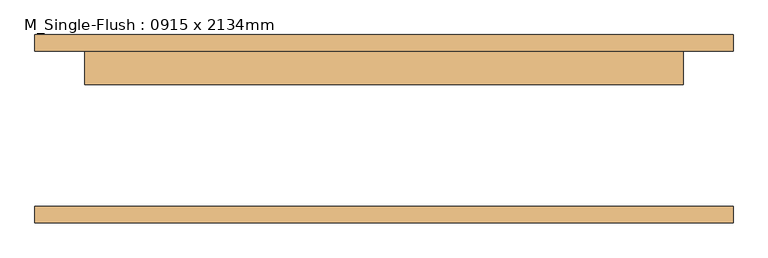
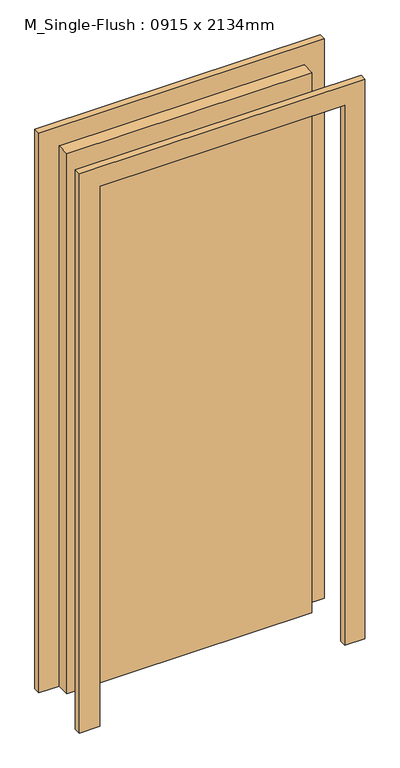
"""IFC4 building model written with IfcOpenShell, lengths in millimetres: door geometry, M_Single-Flush : 0915 x 2134mm."""

from ifc_helpers import new_model, si_unit, frame, origin, origin_with_axes, place, context, project, spatial, polyline, outline, extrude, source, transform, mapped, element, save


def m_single_flush_0915_x_2134mm_33e1a09e(model_context):
    return source(origin(), model_context, "Body", "SweptSolid", [
        extrude(outline(polyline([(2210.0, -533.5), (0.0, -533.5), (0.0, -457.5), (2134.0, -457.5), (2134.0, 457.5), (0.0, 457.5), (0.0, 533.5), (2210.0, 533.5), (2210.0, -533.5)])), frame((0.0, 118.75, 0.0), z_axis=(0.0, 1.0, 0.0), x_axis=(0.0, 0.0, 1.0)), (0.0, 0.0, 1.0), 25.0),
        extrude(outline(polyline([(2210.0, 533.5), (2210.0, -533.5), (0.0, -533.5), (0.0, -457.5), (2134.0, -457.5), (2134.0, 457.5), (0.0, 457.5), (0.0, 533.5), (2210.0, 533.5)])), frame((0.0, -143.75, 0.0), z_axis=(0.0, 1.0, 0.0), x_axis=(0.0, 0.0, 1.0)), (0.0, 0.0, 1.0), 25.0),
        extrude(outline(polyline([(457.5, 67.75), (-457.5, 67.75), (-457.5, 118.75), (457.5, 118.75), (457.5, 67.75)])), origin_with_axes(), (0.0, 0.0, 1.0), 2134.0),
    ])


if __name__ == "__main__":
    model = new_model("IFC4")
    model_context = context("Model", 3, world=origin())
    ifc_project = project(units=[si_unit("LENGTHUNIT", "METRE", prefix="MILLI")], contexts=[model_context])
    site = spatial("IfcSite", under=ifc_project)
    building = spatial("IfcBuilding", under=site)
    placement = place(None, origin())
    m_single_flush_0915_x_2134mm_shape = m_single_flush_0915_x_2134mm_33e1a09e(model_context)
    element("IfcDoor", 1, ObjectType="M_Single-Flush : 0915 x 2134mm", at=placement, inside=building, context=model_context, shape_type="MappedRepresentation", body=[
        mapped(m_single_flush_0915_x_2134mm_shape, transform((0.0, 0.0, 0.0), x_axis=(1.0, 0.0, 0.0), y_axis=(0.0, 1.0, 0.0), z_axis=(0.0, 0.0, 1.0))),
    ])
    save(model, "model.ifc")
